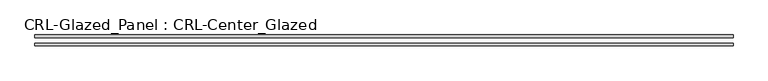
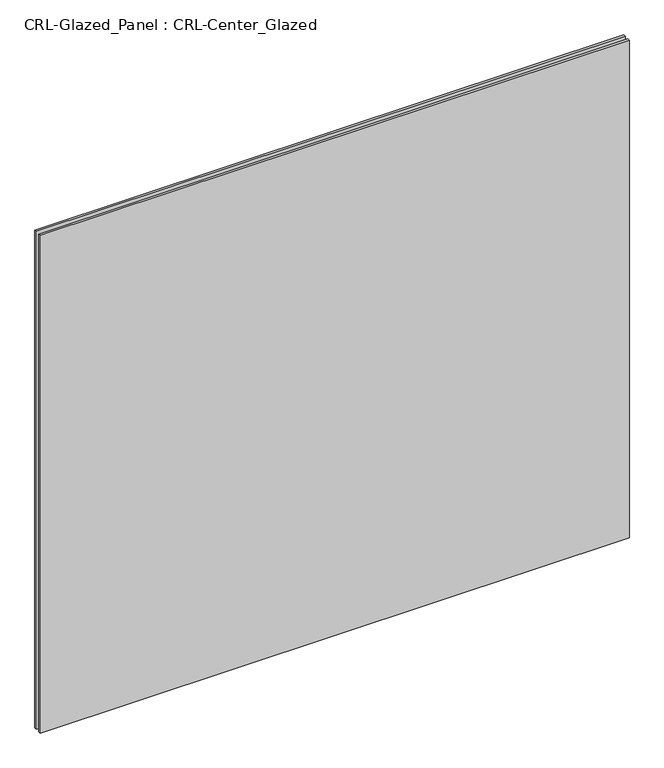
"""IFC4 building model written with IfcOpenShell, lengths in millimetres: plate geometry, CRL-Glazed_Panel : CRL-Center_Glazed."""

from ifc_helpers import new_model, si_unit, origin, origin_with_axes, place, context, project, spatial, polyline, outline, extrude, source, transform, mapped, element, save


def crl_glazed_panel_crl_center_glazed_53e01684(model_context):
    return source(origin(), model_context, "Body", "SweptSolid", [
        extrude(outline(polyline([(812.8, 12.7), (812.8, 6.35), (-812.8, 6.35), (-812.8, 12.7), (812.8, 12.7)])), origin_with_axes(), (0.0, 0.0, 1.0), 1451.5591819),
        extrude(outline(polyline([(-812.8, -6.35), (812.8, -6.35), (812.8, -12.7), (-812.8, -12.7), (-812.8, -6.35)])), origin_with_axes(), (0.0, 0.0, 1.0), 1451.5591819),
    ])


if __name__ == "__main__":
    model = new_model("IFC4")
    model_context = context("Model", 3, world=origin())
    ifc_project = project(units=[si_unit("LENGTHUNIT", "METRE", prefix="MILLI")], contexts=[model_context])
    site = spatial("IfcSite", under=ifc_project)
    building = spatial("IfcBuilding", under=site)
    placement = place(None, origin())
    crl_glazed_panel_crl_center_glazed_shape = crl_glazed_panel_crl_center_glazed_53e01684(model_context)
    element("IfcPlate", 1, ObjectType="CRL-Glazed_Panel : CRL-Center_Glazed", at=placement, inside=building, context=model_context, shape_type="MappedRepresentation", body=[
        mapped(crl_glazed_panel_crl_center_glazed_shape, transform((0.0, 0.0, 0.0), x_axis=(1.0, 0.0, 0.0), y_axis=(0.0, 1.0, 0.0), z_axis=(0.0, 0.0, 1.0))),
    ])
    save(model, "model.ifc")
